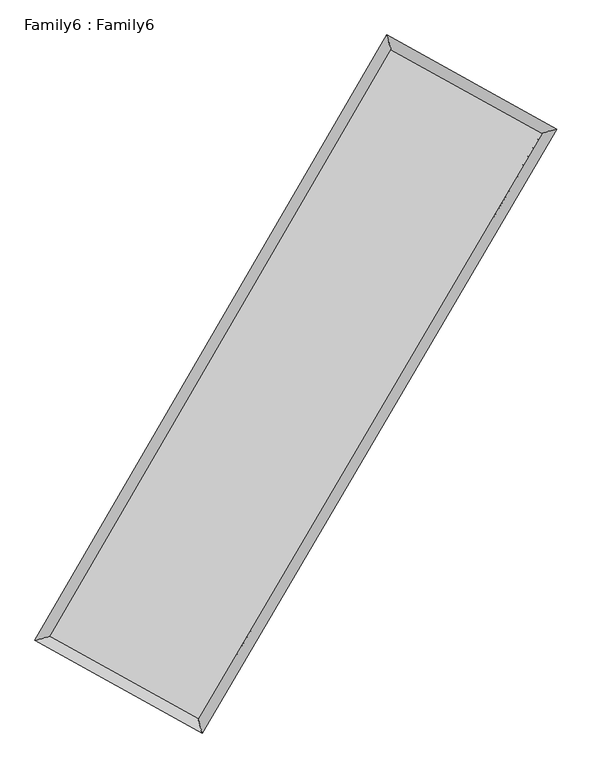
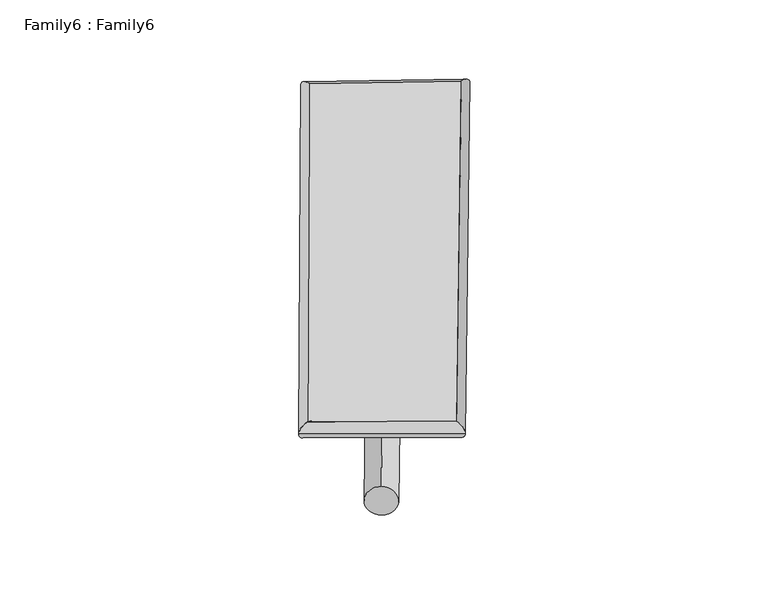
"""IFC4 building model written with IfcOpenShell, lengths in millimetres: plate geometry, Family6 : Family6."""

from ifc_helpers import new_model, si_unit, point, frame, origin, origin_2d, place, context, project, spatial, circle_curve, ellipse_curve, trimmed, segment, composite_curve, outline, extrude, source, transform, mapped, element, save
from ifc_brep_helpers import plane_surface, cylinder_surface, spline_surface, advanced_brep


def family6_family6_a4ac5c50(model_context):
    return source(origin(), model_context, "Body", "SolidModel", [
        extrude(outline(composite_curve([segment(trimmed(circle_curve(origin_2d(), 76.2), [point((-75.4341514, -10.7763074))], [point((75.4341514, 10.7763074))], False, "CARTESIAN"), True, "CONTINUOUS"), segment(trimmed(circle_curve(origin_2d(), 76.2), [point((75.4341514, 10.7763074))], [point((-75.4341514, -10.7763074))], False, "CARTESIAN"), True, "CONTINUOUS")], self_intersect=False)), frame((9144.0, 9144.0, 0.0), z_axis=(0.6754701358799193, 0.6850604132111895, 0.2728228835440268), x_axis=(-0.6772050144180748, 0.7227196835133451, -0.13809282207770812)), (0.0, 0.0, 1.0), 5615.7392725),
        extrude(outline(composite_curve([segment(trimmed(circle_curve(origin_2d(), 76.2), [point((-53.8815368, 53.8815367))], [point((53.8815368, -53.8815367))], False, "CARTESIAN"), True, "CONTINUOUS"), segment(trimmed(circle_curve(origin_2d(), 76.2), [point((53.8815368, -53.8815367))], [point((-53.8815368, 53.8815367))], False, "CARTESIAN"), True, "CONTINUOUS")], self_intersect=False)), frame((9144.0, 9144.0, 0.0), z_axis=(-0.6723965878932727, -0.6879371205265139, 0.27317640233221663), x_axis=(0.641979529856612, -0.3583069773370634, 0.6778483556346956)), (0.0, 0.0, 1.0), 5608.4880509),
        extrude(outline(composite_curve([segment(trimmed(circle_curve(origin_2d(), 76.2), [point((-53.8815367, -53.8815367))], [point((53.8815367, 53.8815367))], False, "CARTESIAN"), True, "CONTINUOUS"), segment(trimmed(circle_curve(origin_2d(), 76.2), [point((53.8815367, 53.8815367))], [point((-53.8815367, -53.8815367))], False, "CARTESIAN"), True, "CONTINUOUS")], self_intersect=False)), frame((9144.0, 9144.0, 0.0), z_axis=(0.2627507992875974, 0.9255756723779537, 0.2725283327946436), x_axis=(-0.8420122397469944, 0.357881516021723, -0.4036535749949992)), (0.0, 0.0, 1.0), 5552.6674582),
        extrude(outline(composite_curve([segment(trimmed(circle_curve(origin_2d(), 76.2), [point((-75.4341514, 10.7763073))], [point((75.4341514, -10.7763073))], False, "CARTESIAN"), True, "CONTINUOUS"), segment(trimmed(circle_curve(origin_2d(), 76.2), [point((75.4341514, -10.7763073))], [point((-75.4341514, 10.7763073))], False, "CARTESIAN"), True, "CONTINUOUS")], self_intersect=False)), frame((9144.0, 9144.0, 0.0), z_axis=(-0.26680922180388, -0.9243608516238163, 0.2727083701423577), x_axis=(0.8809084987323522, -0.11913210094773567, 0.45804776976303685)), (0.0, 0.0, 1.0), 5547.9840143),
        advanced_brep(
        [(5162.9728957, 5227.8504302, 1530.7113806), (5162.9624129, 5227.8342489, 1533.9781862), (5582.770647, 5343.5753294, 1533.501796), (10659.7179, 14077.8037638, 1515.2063058), (10546.2177257, 14489.0240684, 1511.3121041), (5582.7811298, 5343.5915107, 1530.2349903), (12726.6622261, 12933.5196662, 1531.8911553), (13147.8661128, 13048.7216669, 1532.3132078), (7607.6439683, 4221.0154671, 1513.3308288), (7719.8494368, 3810.3060763, 1512.6325274)],
        [
            (0, 1, ellipse_curve(frame((5372.8717714, 5285.7128798, 1532.1065883), z_axis=(-0.2657775176064369, 0.964026414286437, 0.003922205118972815), x_axis=(-0.9640075673271344, -0.2657982737492819, 0.006378699547899332)), 217.7512806, 152.4)),
            (1, 2, ellipse_curve(frame((5372.8717714, 5285.7128798, 1532.1065883), z_axis=(-0.2657775176064369, 0.964026414286437, 0.003922205118972815), x_axis=(-0.9640075673271344, -0.2657982737492819, 0.006378699547899332)), 217.7512806, 152.4)),
            (2, 3),
            (3, 4, ellipse_curve(frame((10602.9678128, 14283.4139161, 1513.2592049), z_axis=(-0.9639410646778849, -0.26609043440189833, -0.003674853395012395), x_axis=(0.26606442019849535, -0.9639343953523397, 0.00634080130250752)), 213.3078465, 152.4)),
            (4, 0),
            (2, 5, ellipse_curve(frame((5372.8717714, 5285.7128798, 1532.1065883), z_axis=(-0.2657775176064369, 0.964026414286437, 0.003922205118972815), x_axis=(-0.9640075673271344, -0.2657982737492819, 0.006378699547899332)), 217.7512806, 152.4)),
            (5, 0, ellipse_curve(frame((5372.8717714, 5285.7128798, 1532.1065883), z_axis=(-0.2657775176064369, 0.964026414286437, 0.003922205118972815), x_axis=(-0.9640075673271344, -0.2657982737492819, 0.006378699547899332)), 217.7512806, 152.4)),
            (4, 3, ellipse_curve(frame((10602.9678128, 14283.4139161, 1513.2592049), z_axis=(-0.9639410646778849, -0.26609043440189833, -0.003674853395012395), x_axis=(0.26606442019849535, -0.9639343953523397, 0.00634080130250752)), 213.3078465, 152.4)),
            (3, 6),
            (6, 7, ellipse_curve(frame((12937.2641695, 12991.1206665, 1532.1021816), z_axis=(-0.26381158459953874, 0.9645669686804883, -0.00374309519170009), x_axis=(-0.9645489710344701, -0.26383077359510326, -0.006213322827140444)), 218.3402841, 152.4)),
            (7, 4),
            (7, 6, ellipse_curve(frame((12937.2641695, 12991.1206665, 1532.1021816), z_axis=(-0.26381158459953874, 0.9645669686804883, -0.00374309519170009), x_axis=(-0.9645489710344701, -0.26383077359510326, -0.006213322827140444)), 218.3402841, 152.4)),
            (6, 8),
            (8, 9, ellipse_curve(frame((7663.7467026, 4015.6607717, 1512.9816781), z_axis=(0.9646394961790336, 0.26354520781747043, -0.0038165230127162764), x_axis=(-0.2635173930715241, 0.9646324499396245, 0.006543704781352643)), 212.8831281, 152.4)),
            (9, 7),
            (9, 8, ellipse_curve(frame((7663.7467026, 4015.6607717, 1512.9816781), z_axis=(0.9646394961790336, 0.26354520781747043, -0.0038165230127162764), x_axis=(-0.2635173930715241, 0.9646324499396245, 0.006543704781352643)), 212.8831281, 152.4)),
            (8, 5),
            (1, 9),
        ],
        [
            cylinder_surface(frame((5372.8717714, 5285.7128798, 1532.1065883), z_axis=(-0.5025388071728141, -0.86455275586675, 0.001810968948703813), x_axis=(-0.8645118533854416, 0.5024919843954778, -0.011002771212915681)), 152.4),
            cylinder_surface(frame((10602.9678128, 14283.4139161, 1513.2592049), z_axis=(-0.8748565455909311, 0.4843306228024881, -0.007062043079537315), x_axis=(0.48437059190123277, 0.8748432919345607, -0.005860397456703947)), 152.4),
            cylinder_surface(frame((12937.2641695, 12991.1206665, 1532.1021816), z_axis=(0.5065792424945171, 0.8621914505960828, 0.001836734249657848), x_axis=(0.8621932622211457, -0.5065792424945171, -0.0004996540202982834)), 152.4),
            cylinder_surface(frame((7663.7467026, 4015.6607717, 1512.9816781), z_axis=(0.8745641158614433, -0.4848549276303212, -0.00730112320729955), x_axis=(-0.4848313545967243, -0.8745943237561566, 0.0048297467238597)), 152.4),
        ],
        [
            (0, [[1, 2, 3, 4, 5]]),
            (0, [[6, 7, -5, 8, -3]]),
            (1, [[-4, 9, 10, 11]]),
            (1, [[-8, -11, 12, -9]]),
            (2, [[-10, 13, 14, 15]]),
            (2, [[-12, -15, 16, -13]]),
            (3, [[-14, 17, -6, -2, 18]]),
            (3, [[-16, -18, -1, -7, -17]]),
        ],
    ),
        extrude(outline(composite_curve([segment(trimmed(circle_curve(origin_2d(), 304.8), [point((0.0, 304.8))], [point((0.0, -304.8))], False, "CARTESIAN"), True, "CONTINUOUS"), segment(trimmed(circle_curve(origin_2d(), 304.8), [point((0.0, -304.8))], [point((0.0, 304.8))], False, "CARTESIAN"), True, "CONTINUOUS")], self_intersect=False)), frame((11791.8626322, 13654.3811197, -0.0025877), z_axis=(-0.5062666955927648, -0.8623769668383647, 4.947672418981304e-07), x_axis=(-0.8623769668384962, 0.5062666955927648, -1.344970331482048e-07)), (0.0, 0.0, 1.0), 10460.346909),
        advanced_brep(
        [(5372.8717714, 5285.7128798, 1532.1065883), (7663.7467026, 4015.6607717, 1512.9816781), (7663.7440321, 4015.6599919, 1665.3816781), (5372.8691009, 5285.7121, 1684.5065882), (12937.2641695, 12991.1206665, 1532.1021816), (12937.261499, 12991.1198867, 1684.5021815), (10602.9678128, 14283.4139161, 1513.2592049), (10602.9651424, 14283.4131363, 1665.6592049)],
        [
            (0, 1),
            (1, 2),
            (2, 3),
            (3, 0),
            (1, 4),
            (4, 5),
            (5, 2),
            (4, 6),
            (6, 7),
            (7, 5),
            (6, 0),
            (3, 7),
        ],
        [
            plane_surface(frame((6518.309237, 4650.6868257, 1522.5441332), z_axis=(-0.48486793387143284, -0.8745873807316193, -1.2971266186657428e-05), x_axis=(0.8745641158614431, -0.4848549276303215, -0.007301123207299549))),
            plane_surface(frame((10300.505436, 8503.3907191, 1522.5419298), z_axis=(0.8621928932282822, -0.5065801167732503, 1.2515758547916697e-05), x_axis=(0.5065792424945171, 0.8621914505960827, 0.0018367342496578463))),
            plane_surface(frame((11770.1159911, 13637.2672913, 1522.6806933), z_axis=(0.484342620495164, 0.8748784062964545, 1.2963550472529055e-05), x_axis=(-0.874856545590931, 0.4843306228024884, -0.007062043079537316))),
            plane_surface(frame((7987.9197921, 9784.5633979, 1522.6828966), z_axis=(-0.8645541849460252, 0.5025396115075038, -1.2577809127596574e-05), x_axis=(-0.5025388071728142, -0.86455275586675, 0.0018109689487038113))),
            spline_surface(1, 1, [[(7663.7440321, 4015.6599919, 1665.3816781), (5372.8691009, 5285.7121, 1684.5065882)], [(12937.261499, 12991.1198867, 1684.5021815), (10602.9651424, 14283.4131363, 1665.6592049)]], [2, 2], [2, 2], [0.0, 1.0], [0.0, 1.0]),
            spline_surface(1, 1, [[(10602.9678128, 14283.4139161, 1513.2592049), (5372.8717714, 5285.7128798, 1532.1065883)], [(12937.2641695, 12991.1206665, 1532.1021816), (7663.7467026, 4015.6607717, 1512.9816781)]], [2, 2], [2, 2], [0.0, 1.0], [0.0, 1.0]),
        ],
        [
            (0, [[1, 2, 3, 4]]),
            (1, [[5, 6, 7, -2]]),
            (2, [[8, 9, 10, -6]]),
            (3, [[11, -4, 12, -9]]),
            (4, [[-3, -7, -10, -12]]),
            (5, [[-11, -8, -5, -1]]),
        ],
    ),
    ])


if __name__ == "__main__":
    model = new_model("IFC4")
    model_context = context("Model", 3, world=origin())
    ifc_project = project(units=[si_unit("LENGTHUNIT", "METRE", prefix="MILLI")], contexts=[model_context])
    site = spatial("IfcSite", under=ifc_project)
    building = spatial("IfcBuilding", under=site)
    placement = place(None, origin())
    family6_family6_shape = family6_family6_a4ac5c50(model_context)
    element("IfcPlate", 1, ObjectType="Family6 : Family6", at=placement, inside=building, context=model_context, shape_type="MappedRepresentation", body=[
        mapped(family6_family6_shape, transform((0.0, 0.0, 0.0), x_axis=(1.0, 0.0, 0.0), y_axis=(0.0, 1.0, 0.0), z_axis=(0.0, 0.0, 1.0))),
    ])
    save(model, "model.ifc")
